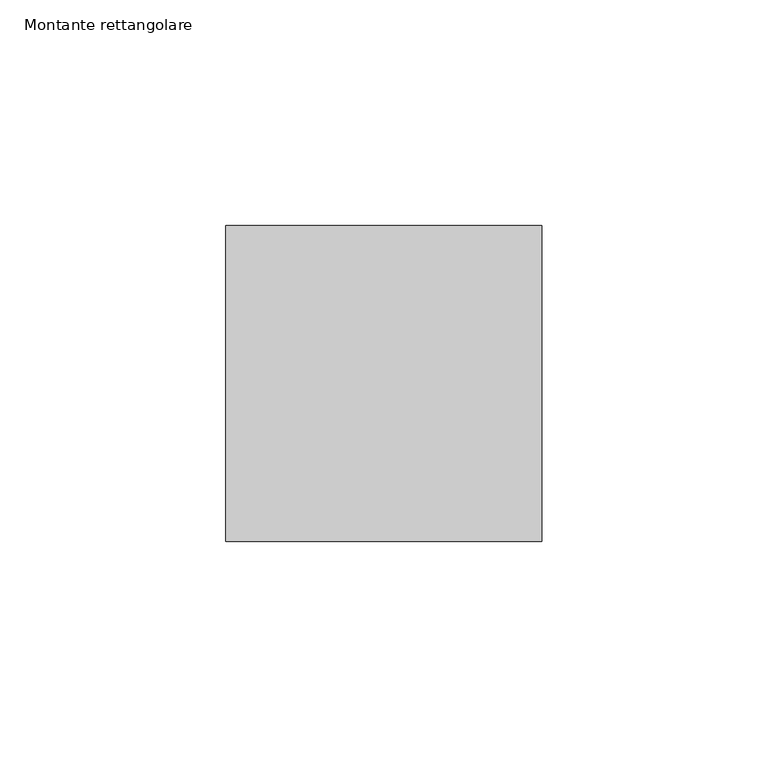
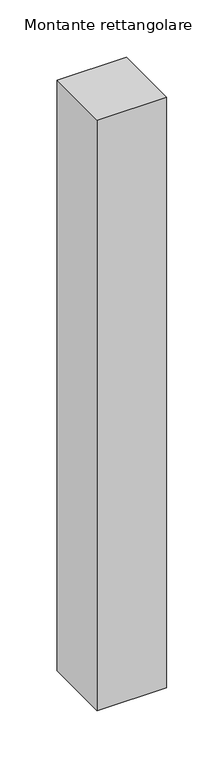
"""IFC4 building model written with IfcOpenShell, lengths in millimetres: member geometry, Montante rettangolare."""

from ifc_helpers import new_model, si_unit, frame, origin, place, context, project, spatial, polyline, outline, extrude, source, transform, mapped, element, save


def montante_rettangolare_e23612df(model_context):
    return source(origin(), model_context, "Body", "SweptSolid", [
        extrude(outline(polyline([(35.0, 35.0), (35.0, -35.0), (-35.0, -35.0), (-35.0, 35.0), (35.0, 35.0)])), frame((0.0, 0.0, -629.3835829), z_axis=(0.0, 0.0, 1.0), x_axis=(1.0, 0.0, 0.0)), (0.0, 0.0, 1.0), 629.3835829),
    ])


if __name__ == "__main__":
    model = new_model("IFC4")
    model_context = context("Model", 3, world=origin())
    ifc_project = project(units=[si_unit("LENGTHUNIT", "METRE", prefix="MILLI")], contexts=[model_context])
    site = spatial("IfcSite", under=ifc_project)
    building = spatial("IfcBuilding", under=site)
    placement = place(None, origin())
    montante_rettangolare_shape = montante_rettangolare_e23612df(model_context)
    element("IfcMember", 1, ObjectType="Montante rettangolare", at=placement, inside=building, context=model_context, shape_type="MappedRepresentation", body=[
        mapped(montante_rettangolare_shape, transform((0.0, 0.0, 0.0), x_axis=(1.0, 0.0, 0.0), y_axis=(0.0, 1.0, 0.0), z_axis=(0.0, 0.0, 1.0))),
    ])
    save(model, "model.ifc")
